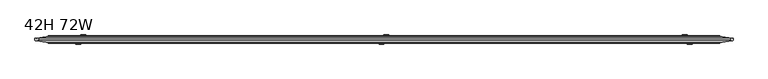
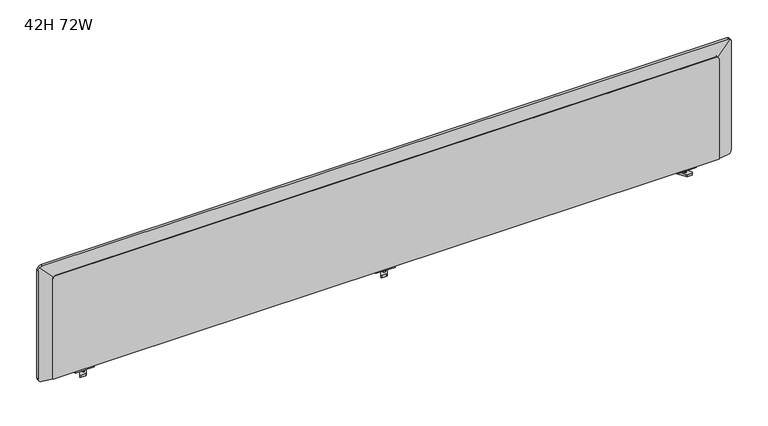
"""IFC4 building model written with IfcOpenShell, lengths in millimetres: furniture geometry, 42H 72W."""

from ifc_helpers import new_model, si_unit, frame, origin, place, context, project, spatial, polyline, ellipse_curve, outline, extrude, faceted_brep, source, transform, mapped, element, save
from ifc_brep_helpers import plane_surface, cylinder_surface, advanced_brep


def furniture_42h_72w_256c6ab1(model_context):
    return source(origin(), model_context, "Body", "SolidModel", [
        extrude(outline(polyline([(721.2018793, 1730.1409019), (725.9008658, 1730.1409019), (725.9008658, 1717.4409049), (732.1172741, 1717.4409049), (732.1172741, 1692.0409019), (725.9008658, 1692.0409019), (725.9008658, 1679.3409049), (721.2018793, 1679.3409049), (721.2018793, 1730.1409019)])), frame((0.0, -16.6504619, 0.0), z_axis=(0.0, 1.0, 0.0), x_axis=(0.0, 0.0, 1.0)), (0.0, 0.0, 1.0), 13.9700003),
        extrude(outline(polyline([(1708.5752851, -10.5329201), (1706.7261429, -12.9427704), (1703.7145807, -13.3392502), (1701.304726, -11.490107), (1700.9082476, -8.478544), (1702.7573898, -6.0686936), (1705.768952, -5.6722139), (1708.1788067, -7.5213571), (1708.5752851, -10.5329201)])), frame((0.0, 0.0, 711.4157034), z_axis=(0.0, 0.0, 1.0), x_axis=(1.0, 0.0, 0.0)), (0.0, 0.0, 1.0), 9.7861759),
        extrude(outline(polyline([(1707.5193963, 0.8486721), (1719.0356992, -19.0981369), (1717.715876, -21.3841369), (1705.3975236, -21.3841369), (1702.7578773, -19.8601361), (1691.2415835, 0.0866728), (1692.5614067, 2.3726729), (1704.87975, 2.3726729), (1707.5193963, 0.8486721)])), frame((0.0, 0.0, 707.642038), z_axis=(0.0, 0.0, 1.0), x_axis=(1.0, 0.0, 0.0)), (0.0, 0.0, 1.0), 6.7296167),
        extrude(outline(polyline([(721.2018793, 889.000863), (721.2018793, 939.8008599), (725.9008658, 939.8008599), (725.9008658, 927.100863), (732.1172741, 927.100863), (732.1172741, 901.7008599), (725.9008658, 901.7008599), (725.9008658, 889.000863), (721.2018793, 889.000863)])), frame((0.0, -16.6504619, 0.0), z_axis=(0.0, 1.0, 0.0), x_axis=(0.0, 0.0, 1.0)), (0.0, 0.0, 1.0), 13.9700003),
        extrude(outline(polyline([(910.5664798, -10.5329201), (910.9629581, -7.5213571), (913.3728128, -5.6722139), (916.384375, -6.0686936), (918.2335172, -8.478544), (917.8370389, -11.490107), (915.4271842, -13.3392502), (912.415622, -12.9427704), (910.5664798, -10.5329201)])), frame((0.0, 0.0, 711.4157034), z_axis=(0.0, 0.0, 1.0), x_axis=(1.0, 0.0, 0.0)), (0.0, 0.0, 1.0), 9.7861759),
        extrude(outline(polyline([(911.6223686, 0.8486721), (914.2620148, 2.3726729), (926.5803581, 2.3726729), (927.9001813, 0.0866728), (916.3838875, -19.8601361), (913.7442412, -21.3841369), (901.4258888, -21.3841369), (900.1060657, -19.0981369), (911.6223686, 0.8486721)])), frame((0.0, 0.0, 707.642038), z_axis=(0.0, 0.0, 1.0), x_axis=(1.0, 0.0, 0.0)), (0.0, 0.0, 1.0), 6.7296167),
        extrude(outline(polyline([(721.2018793, 98.6590981), (721.2018793, 149.4590951), (725.9008658, 149.4590951), (725.9008658, 136.7590981), (732.1172741, 136.7590981), (732.1172741, 111.3590951), (725.9008658, 111.3590951), (725.9008658, 98.6590981), (721.2018793, 98.6590981)])), frame((0.0, -16.6504619, 0.0), z_axis=(0.0, 1.0, 0.0), x_axis=(0.0, 0.0, 1.0)), (0.0, 0.0, 1.0), 13.9700003),
        extrude(outline(polyline([(120.2247149, -10.5329201), (120.6211933, -7.5213571), (123.031048, -5.6722139), (126.0426102, -6.0686936), (127.8917524, -8.478544), (127.495274, -11.490107), (125.0854193, -13.3392502), (122.0738571, -12.9427704), (120.2247149, -10.5329201)])), frame((0.0, 0.0, 711.4157034), z_axis=(0.0, 0.0, 1.0), x_axis=(1.0, 0.0, 0.0)), (0.0, 0.0, 1.0), 9.7861759),
        extrude(outline(polyline([(121.2806037, 0.8486721), (123.92025, 2.3726729), (136.2385933, 2.3726729), (137.5584165, 0.0866728), (126.0421227, -19.8601361), (123.4024764, -21.3841369), (111.084124, -21.3841369), (109.7643008, -19.0981369), (121.2806037, 0.8486721)])), frame((0.0, 0.0, 707.642038), z_axis=(0.0, 0.0, 1.0), x_axis=(1.0, 0.0, 0.0)), (0.0, 0.0, 1.0), 6.7296167),
        faceted_brep([(1783.0303928, -19.05, 1011.7524658), (45.7696072, -19.05, 1011.7524658), (42.9511608, -19.05, 1010.4688569), (41.3638153, -19.05, 1009.1876851), (39.8789498, -19.05, 1007.2755925), (38.5668115, -19.05, 1004.2688006), (38.5668115, -19.05, 725.9008658), (1790.3784903, -19.05, 725.9008658), (1790.3784903, -19.05, 1003.9358386), (1788.9210502, -19.05, 1007.2755925), (1787.4361847, -19.05, 1009.1876851), (1785.8488392, -19.05, 1010.4688569), (1783.0303928, 0.0, 1011.7524658), (1785.8488392, 0.0, 1010.4688569), (1787.4361847, 0.0, 1009.1876851), (1788.9210502, 0.0, 1007.2755925), (1790.3784903, 0.0, 1003.9358386), (1790.3784903, 0.0, 725.9008658), (38.5668115, 0.0, 725.9008658), (38.5668115, 0.0, 1004.2688006), (39.8789498, 0.0, 1007.2755925), (41.3638153, 0.0, 1009.1876851), (42.9511608, 0.0, 1010.4688569), (45.7696072, 0.0, 1011.7524658), (927.5326549, -0.8676631, 725.9008658), (901.2673451, -0.8676631, 725.9008658), (901.2673451, -18.1883634, 725.9008658), (927.5326549, -18.1883634, 725.9008658), (927.5326549, -0.8676631, 727.7829223), (927.5326549, -18.1883634, 727.7829223), (901.2673451, -18.1883634, 727.7829223), (901.2673451, -0.8676631, 727.7829223)], [[[0, 1, 2, 3, 4, 5, 6, 7, 8, 9, 10, 11]], [[12, 13, 14, 15, 16, 17, 18, 19, 20, 21, 22, 23]], [[1, 0, 12, 23]], [[8, 7, 17, 16]], [[6, 5, 19, 18]], [[7, 6, 18, 17], [24, 25, 26, 27]], [[9, 8, 16, 15]], [[10, 9, 15, 14]], [[11, 10, 14, 13]], [[0, 11, 13, 12]], [[28, 29, 30, 31]], [[28, 31, 25, 24]], [[31, 30, 26, 25]], [[30, 29, 27, 26]], [[29, 28, 24, 27]], [[2, 1, 23, 22]], [[3, 2, 22, 21]], [[4, 3, 21, 20]], [[5, 4, 20, 19]]]),
        advanced_brep(
        [(1786.7319147, -1.27, 725.9008658), (1786.7319147, -1.27, 1008.1146704), (1822.4627232, -6.2916377, 1043.8454789), (1824.7613101, -6.614683, 1038.2961994), (1824.7613101, -6.614683, 735.3489026), (1824.4156469, -6.5661032, 732.9703649), (1823.40075, -6.4234687, 730.6446347), (1821.9158842, -6.2147844, 728.7325421), (1820.3285387, -5.9916976, 727.4513703), (1817.9394023, -5.6559264, 726.3633553), (1815.4846479, -5.3109331, 725.9008658), (1786.7319147, -17.78, 1008.1146704), (1786.7319147, -17.78, 725.9008658), (1815.4846479, -13.5347865, 725.9008658), (1817.9394023, -13.1723529, 726.3633553), (1820.3285387, -12.8196075, 727.4513703), (1821.9158842, -12.585243, 728.7325421), (1823.40075, -12.3660092, 730.6446347), (1824.4156469, -12.2161641, 732.9703649), (1824.7613101, -12.1651285, 735.3489026), (1824.7613101, -12.1651285, 1038.2961994), (1822.4627232, -12.5045047, 1043.8454789), (42.0680819, -1.27, 1008.1146704), (42.0680819, -1.27, 725.9008658), (13.3153521, -5.3109327, 725.9008658), (10.8605977, -5.6559259, 726.3633553), (8.4714613, -5.9916971, 727.4513703), (6.8841158, -6.214784, 728.7325421), (5.39925, -6.4234682, 730.6446347), (4.3843531, -6.5661027, 732.9703649), (4.0386865, -6.614683, 735.3489261), (4.0386865, -6.614683, 1034.8742879), (7.339528, -6.15078, 1042.8432242), (42.0680819, -17.78, 725.9008658), (42.0680819, -17.78, 1008.1146704), (7.339528, -12.6524831, 1042.8432242), (4.0386865, -12.1651285, 1034.8742879), (4.0386865, -12.1651285, 735.3489261), (4.3843531, -12.2161646, 732.9703649), (5.39925, -12.3660097, 730.6446347), (6.8841158, -12.5852435, 728.7325421), (8.4714613, -12.819608, 727.4513703), (10.8605977, -13.1723534, 726.3633553), (13.3153521, -13.534787, 725.9008658), (15.3084644, -6.614683, 1046.1440658), (1816.9134437, -6.614683, 1046.1440658), (1816.9134437, -12.1651285, 1046.1440658), (15.3084644, -12.1651285, 1046.1440658)],
        [
            (0, 1),
            (1, 2),
            (2, 3, ellipse_curve(frame((1816.9134437, -5.5117373, 1038.2961994), z_axis=(0.1391731009600647, 0.9902680687415705, 0.0), x_axis=(-0.9902680687415707, 0.13917310096006372, 0.0)), 7.9249919, 7.8478664)),
            (3, 4),
            (4, 5),
            (5, 6),
            (6, 7),
            (7, 8),
            (8, 9),
            (9, 10),
            (10, 0),
            (11, 12),
            (12, 13),
            (13, 14),
            (14, 15),
            (15, 16),
            (16, 17),
            (17, 18),
            (18, 19),
            (19, 20),
            (20, 21, ellipse_curve(frame((1816.9134437, -13.3238312, 1038.2961994), z_axis=(0.1460621261961634, -0.9892754193302571, 0.0), x_axis=(0.989275419330257, 0.14606212619616374, 0.0)), 7.9329439, 7.8478664)),
            (21, 11),
            (22, 23),
            (23, 24),
            (24, 25),
            (25, 26),
            (26, 27),
            (27, 28),
            (28, 29),
            (29, 30),
            (30, 31),
            (31, 32, ellipse_curve(frame((15.3084644, -5.030819, 1034.8742879), z_axis=(-0.1391731009600647, 0.9902680687415705, 0.0), x_axis=(0.9902680687415707, 0.13917310096006372, 0.0)), 11.3805324, 11.2697779)),
            (32, 22),
            (33, 34),
            (34, 35),
            (35, 36, ellipse_curve(frame((15.3084644, -13.8290612, 1034.8742879), z_axis=(-0.1460621261961634, -0.9892754193302571, 0.0), x_axis=(-0.989275419330257, 0.14606212619616374, 0.0)), 11.3919518, 11.2697779)),
            (36, 37),
            (37, 38),
            (38, 39),
            (39, 40),
            (40, 41),
            (41, 42),
            (42, 43),
            (43, 33),
            (1, 22),
            (32, 44, ellipse_curve(frame((15.3084644, -5.030819, 1034.8742879), z_axis=(0.0, 0.9902680687415636, 0.13917310096011357), x_axis=(0.0, 0.13917310096011315, -0.9902680687415636)), 11.3805324, 11.2697779)),
            (44, 45),
            (45, 2, ellipse_curve(frame((1816.9134437, -5.5117373, 1038.2961994), z_axis=(0.0, 0.9902680687415636, 0.13917310096011357), x_axis=(0.0, 0.13917310096011315, -0.9902680687415636)), 7.9249919, 7.8478664)),
            (34, 11),
            (21, 46, ellipse_curve(frame((1816.9134437, -13.3238312, 1038.2961994), z_axis=(0.0, -0.9892754193302643, 0.14606212619611458), x_axis=(0.0, 0.1460621261961151, 0.9892754193302642)), 7.9329439, 7.8478664)),
            (46, 47),
            (47, 35, ellipse_curve(frame((15.3084644, -13.8290612, 1034.8742879), z_axis=(0.0, -0.9892754193302643, 0.14606212619611458), x_axis=(0.0, 0.1460621261961151, 0.9892754193302642)), 11.3919518, 11.2697779)),
            (0, 12),
            (11, 1),
            (33, 23),
            (22, 34),
            (19, 4),
            (3, 20),
            (30, 37),
            (36, 31),
            (46, 45),
            (44, 47),
            (43, 24),
            (10, 13),
            (42, 25),
            (41, 26),
            (40, 27),
            (39, 28),
            (38, 29),
            (18, 5),
            (17, 6),
            (16, 7),
            (15, 8),
            (14, 9),
        ],
        [
            plane_surface(frame((1824.7613101, -6.614683, 1046.1440658), z_axis=(0.1391731009600647, 0.9902680687415705, 0.0), x_axis=(0.0, 0.0, -1.0))),
            plane_surface(frame((1786.7319147, -17.78, 1008.1146704), z_axis=(0.1460621261961634, -0.9892754193302571, 0.0), x_axis=(0.0, 0.0, -1.0))),
            plane_surface(frame((4.0386865, -6.614683, 725.9008658), z_axis=(-0.1391731009600647, 0.9902680687415705, 0.0), x_axis=(0.0, 0.0, 1.0))),
            plane_surface(frame((42.0680819, -17.78, 725.9008658), z_axis=(-0.1460621261961634, -0.9892754193302571, 0.0), x_axis=(0.0, 0.0, 1.0))),
            plane_surface(frame((4.0386865, -6.614683, 1046.1440658), z_axis=(0.0, 0.9902680687415636, 0.13917310096011357), x_axis=(1.0, 0.0, 0.0))),
            plane_surface(frame((42.0680819, -17.78, 1008.1146704), z_axis=(0.0, -0.9892754193302643, 0.14606212619611458), x_axis=(1.0, 0.0, 0.0))),
            plane_surface(frame((1786.7319147, -1.27, 1008.1146704), z_axis=(-1.0, 0.0, 0.0), x_axis=(0.0, 0.0, -1.0))),
            plane_surface(frame((42.0680819, -1.27, 725.9008658), z_axis=(1.0, 0.0, 0.0), x_axis=(0.0, 0.0, 1.0))),
            plane_surface(frame((42.0680819, -1.27, 1008.1146704), z_axis=(0.0, 0.0, -1.0), x_axis=(1.0, 0.0, 0.0))),
            plane_surface(frame((1824.7613101, -12.1651285, 1046.1440658), z_axis=(1.0, 0.0, 0.0), x_axis=(0.0, 0.0, -1.0))),
            plane_surface(frame((4.0386865, -12.1651285, 725.9008658), z_axis=(-1.0, 0.0, 0.0), x_axis=(0.0, 0.0, 1.0))),
            plane_surface(frame((4.0386865, -12.1651285, 1046.1440658), z_axis=(0.0, 0.0, 1.0), x_axis=(1.0, 0.0, 0.0))),
            plane_surface(frame((4.0386865, 0.0, 725.9008658), z_axis=(0.0, 0.0, -1.0), x_axis=(0.0, -1.0, 0.0))),
            plane_surface(frame((1824.7613101, 0.0, 725.9008658), z_axis=(0.0, 0.0, -1.0), x_axis=(0.0, -1.0, 0.0))),
            plane_surface(frame((13.3153521, -30.0355176, 725.9008658), z_axis=(-0.18514822307847145, 0.0, -0.9827106061760424), x_axis=(0.0, 1.0, 0.0))),
            plane_surface(frame((10.8605977, -30.0355176, 726.3633553), z_axis=(-0.41444808786660453, 0.0, -0.9100729544732747), x_axis=(0.0, 1.0, 0.0))),
            plane_surface(frame((8.4714613, -30.0355176, 727.4513703), z_axis=(-0.6280656236652712, 0.0, -0.7781603770238844), x_axis=(0.0, 1.0, 0.0))),
            plane_surface(frame((6.8841158, -30.0355176, 728.7325421), z_axis=(-0.7898158751875455, 0.0, -0.6133440170913316), x_axis=(0.0, 1.0, 0.0))),
            plane_surface(frame((5.39925, -30.0355176, 730.6446347), z_axis=(-0.9165346264601943, 0.0, -0.3999553456318242), x_axis=(0.0, 1.0, 0.0))),
            plane_surface(frame((4.3843531, -30.0355176, 732.9703649), z_axis=(-0.9896045655144949, 0.0, -0.14381517274914976), x_axis=(0.0, 1.0, 0.0))),
            plane_surface(frame((1824.7613101, -30.0355176, 735.3489026), z_axis=(0.9896045655139214, 0.0, -0.14381517275309708), x_axis=(0.0, 1.0, 0.0))),
            plane_surface(frame((1824.4156469, -30.0355176, 732.9703649), z_axis=(0.9165346264601943, 0.0, -0.3999553456318242), x_axis=(0.0, 1.0, 0.0))),
            plane_surface(frame((1823.40075, -30.0355176, 730.6446347), z_axis=(0.7898158751874913, 0.0, -0.6133440170914014), x_axis=(0.0, 1.0, 0.0))),
            plane_surface(frame((1821.9158842, -30.0355176, 728.7325421), z_axis=(0.628065623665255, 0.0, -0.7781603770238975), x_axis=(0.0, 1.0, 0.0))),
            plane_surface(frame((1820.3285387, -30.0355176, 727.4513703), z_axis=(0.41444808786661425, 0.0, -0.9100729544732703), x_axis=(0.0, 1.0, 0.0))),
            plane_surface(frame((1817.9394023, -30.0355176, 726.3633553), z_axis=(0.18514822316973073, 0.0, -0.9827106061588486), x_axis=(0.0, 1.0, 0.0))),
            cylinder_surface(frame((1816.9134437, 0.0, 1038.2961994), z_axis=(0.0, 1.0, 0.0), x_axis=(1.0, 0.0, 0.0)), 7.8478664),
            cylinder_surface(frame((15.3084644, 0.0, 1034.8742879), z_axis=(0.0, 1.0, 0.0), x_axis=(1.0, 0.0, 0.0)), 11.2697779),
        ],
        [
            (0, [[1, 2, 3, 4, 5, 6, 7, 8, 9, 10, 11]]),
            (1, [[12, 13, 14, 15, 16, 17, 18, 19, 20, 21, 22]]),
            (2, [[23, 24, 25, 26, 27, 28, 29, 30, 31, 32, 33]]),
            (3, [[34, 35, 36, 37, 38, 39, 40, 41, 42, 43, 44]]),
            (4, [[45, -33, 46, 47, 48, -2]]),
            (5, [[49, -22, 50, 51, 52, -35]]),
            (6, [[-1, 53, -12, 54]]),
            (7, [[55, -23, 56, -34]]),
            (8, [[-45, -54, -49, -56]]),
            (9, [[57, -4, 58, -20]]),
            (10, [[59, -37, 60, -31]]),
            (11, [[61, -47, 62, -51]]),
            (12, [[-55, -44, 63, -24]]),
            (13, [[-53, -11, 64, -13]]),
            (14, [[65, -25, -63, -43]]),
            (15, [[-65, -42, 66, -26]]),
            (16, [[-66, -41, 67, -27]]),
            (17, [[-67, -40, 68, -28]]),
            (18, [[-68, -39, 69, -29]]),
            (19, [[-69, -38, -59, -30]]),
            (20, [[70, -5, -57, -19]]),
            (21, [[-70, -18, 71, -6]]),
            (22, [[-71, -17, 72, -7]]),
            (23, [[-72, -16, 73, -8]]),
            (24, [[-73, -15, 74, -9]]),
            (25, [[-74, -14, -64, -10]]),
            (26, [[-3, -48, -61, -50, -21, -58]]),
            (27, [[-32, -60, -36, -52, -62, -46]]),
        ],
    ),
    ])


if __name__ == "__main__":
    model = new_model("IFC4")
    model_context = context("Model", 3, world=origin())
    ifc_project = project(units=[si_unit("LENGTHUNIT", "METRE", prefix="MILLI")], contexts=[model_context])
    site = spatial("IfcSite", under=ifc_project)
    building = spatial("IfcBuilding", under=site)
    placement = place(None, origin())
    furniture_42h_72w_shape = furniture_42h_72w_256c6ab1(model_context)
    element("IfcFurniture", 1, ObjectType="42H 72W", at=placement, inside=building, context=model_context, shape_type="MappedRepresentation", body=[
        mapped(furniture_42h_72w_shape, transform((0.0, 0.0, 0.0), x_axis=(1.0, 0.0, 0.0), y_axis=(0.0, 1.0, 0.0), z_axis=(0.0, 0.0, 1.0))),
    ])
    save(model, "model.ifc")
